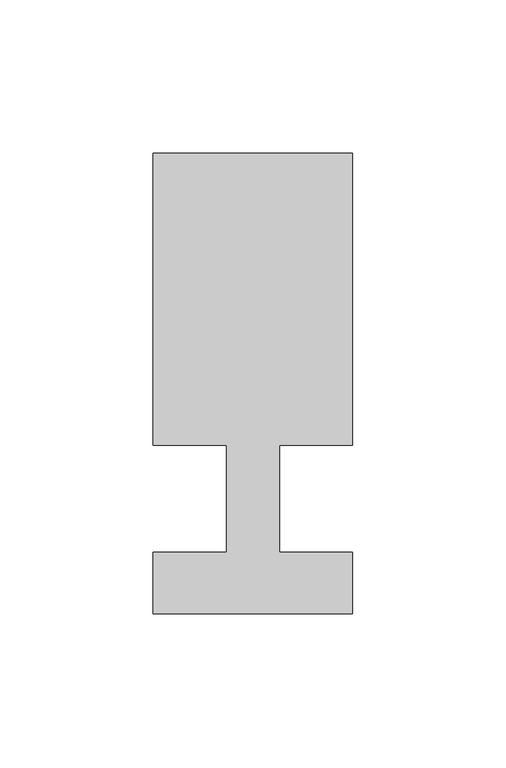
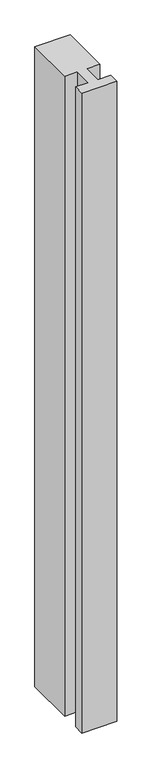
"""IFC4 building model written with IfcOpenShell, lengths in millimetres: member geometry."""

from ifc_helpers import new_model, si_unit, frame, origin, place, context, project, spatial, polyline, outline, extrude, source, transform, mapped, element, save


def member_7280fd2e(model_context):
    return source(origin(), model_context, "Body", "SweptSolid", [
        extrude(outline(polyline([(0.0, -37.0), (-65.0, -37.0), (-65.0, -17.0), (-41.1875, -17.0), (-41.1875, 18.0), (-65.0, 18.0), (-65.0, 113.0), (0.0, 113.0), (0.0, 18.0), (-23.8125, 18.0), (-23.8125, -17.0), (0.0, -17.0), (0.0, -37.0)])), frame((0.0, 0.0, -1250.0), z_axis=(0.0, 0.0, 1.0), x_axis=(1.0, 0.0, 0.0)), (0.0, 0.0, 1.0), 1250.0),
    ])


if __name__ == "__main__":
    model = new_model("IFC4")
    model_context = context("Model", 3, world=origin())
    ifc_project = project(units=[si_unit("LENGTHUNIT", "METRE", prefix="MILLI")], contexts=[model_context])
    site = spatial("IfcSite", under=ifc_project)
    building = spatial("IfcBuilding", under=site)
    placement = place(None, origin())
    member_shape = member_7280fd2e(model_context)
    element("IfcMember", 1, at=placement, inside=building, context=model_context, shape_type="MappedRepresentation", body=[
        mapped(member_shape, transform((0.0, 0.0, 0.0), x_axis=(1.0, 0.0, 0.0), y_axis=(0.0, 1.0, 0.0), z_axis=(0.0, 0.0, 1.0))),
    ])
    save(model, "model.ifc")
